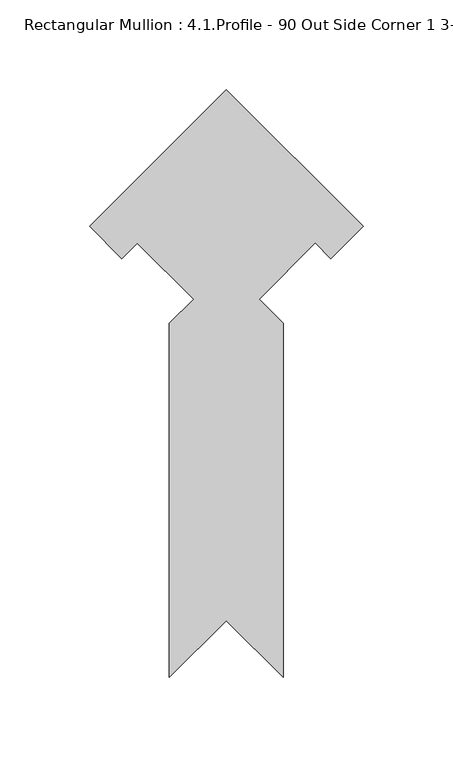
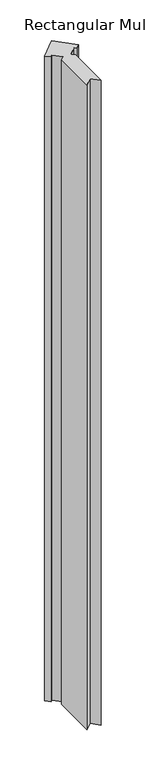
"""IFC4 building model written with IfcOpenShell, lengths in millimetres: member geometry, Rectangular Mullion : 4.1.Profile - 90 Out Side Corner 1 3-4 Infill Detail-8A."""

from ifc_helpers import new_model, si_unit, frame, origin, place, context, project, spatial, polyline, outline, extrude, source, transform, mapped, element, save


def rectangular_mullion_4_1_profile_90_out_side_corner_1_3_4_b33332d8(model_context):
    return source(origin(), model_context, "Body", "SweptSolid", [
        extrude(outline(polyline([(-126.0427324, 142.3408709), (-134.7038849, 133.6797184), (-152.664354, 151.6401875), (-76.332177, 227.9723645), (0.0, 151.6401875), (-17.9418633, 133.6983242), (-26.6030158, 142.3594767), (-58.0510298, 110.9114628), (-44.582177, 97.44261), (-44.582177, -100.1260873), (-76.3321769, -68.3760874), (-108.082177, -100.1260875), (-108.082177, 97.4396335), (-94.6118359, 110.9099745), (-126.0427324, 142.3408709)])), frame((0.0, 0.0, -3048.0), z_axis=(0.0, 0.0, 1.0), x_axis=(1.0, 0.0, 0.0)), (0.0, 0.0, 1.0), 3048.0),
    ])


if __name__ == "__main__":
    model = new_model("IFC4")
    model_context = context("Model", 3, world=origin())
    ifc_project = project(units=[si_unit("LENGTHUNIT", "METRE", prefix="MILLI")], contexts=[model_context])
    site = spatial("IfcSite", under=ifc_project)
    building = spatial("IfcBuilding", under=site)
    placement = place(None, origin())
    rectangular_mullion_4_1_profile_90_out_side_corner_1_3_4_shape = rectangular_mullion_4_1_profile_90_out_side_corner_1_3_4_b33332d8(model_context)
    element("IfcMember", 1, ObjectType="Rectangular Mullion : 4.1.Profile - 90 Out Side Corner 1 3-4 Infill Detail-8A", at=placement, inside=building, context=model_context, shape_type="MappedRepresentation", body=[
        mapped(rectangular_mullion_4_1_profile_90_out_side_corner_1_3_4_shape, transform((0.0, 0.0, 0.0), x_axis=(1.0, 0.0, 0.0), y_axis=(0.0, 1.0, 0.0), z_axis=(0.0, 0.0, 1.0))),
    ])
    save(model, "model.ifc")
